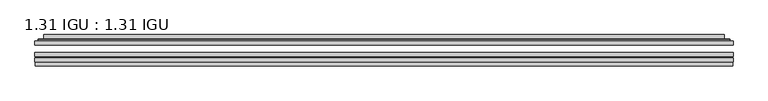
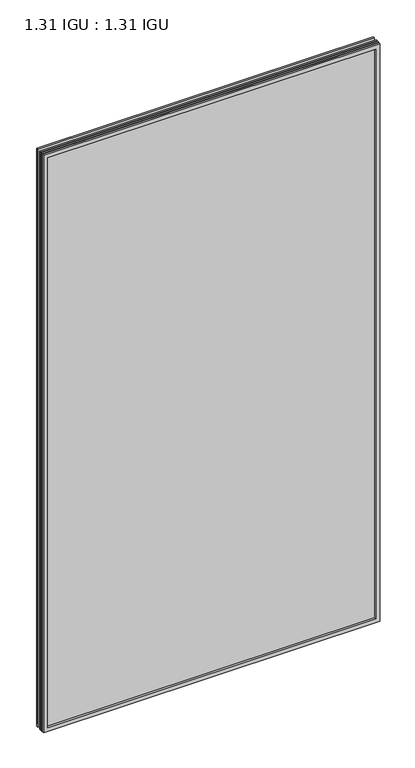
"""IFC4 building model written with IfcOpenShell, lengths in millimetres: plate geometry, 1.31 IGU : 1.31 IGU."""

from ifc_helpers import new_model, si_unit, frame, origin, place, context, project, spatial, polyline, ellipse_curve, outline, extrude, faceted_brep, source, transform, mapped, element, save
from ifc_brep_helpers import plane_surface, cylinder_surface, advanced_brep


def plate_1_31_igu_1_31_igu_b0fc8090(model_context):
    return source(origin(), model_context, "Body", "SolidModel", [
        extrude(outline(polyline([(554.05485, -63.59525), (554.05485, -69.94525), (-554.040675, -69.94525), (-554.040675, -63.59525), (554.05485, -63.59525)])), frame((0.0, 0.0, -14.2875), z_axis=(0.0, 0.0, 1.0), x_axis=(1.0, 0.0, 0.0)), (0.0, 0.0, 1.0), 2009.8015278),
        extrude(outline(polyline([(-554.040675, -78.58125), (-554.040675, -72.230745), (554.05485, -72.230745), (554.05485, -78.58125), (-554.040675, -78.58125)])), frame((0.0, 0.0, -14.2875), z_axis=(0.0, 0.0, 1.0), x_axis=(1.0, 0.0, 0.0)), (0.0, 0.0, 1.0), 2009.8015278),
        extrude(outline(polyline([(554.05485, -45.25645), (554.05485, -51.60645), (-554.040675, -51.60645), (-554.040675, -45.25645), (554.05485, -45.25645)])), frame((0.0, 0.0, -14.2875), z_axis=(0.0, 0.0, 1.0), x_axis=(1.0, 0.0, 0.0)), (0.0, 0.0, 1.0), 2009.8015278),
        faceted_brep([(-553.3404892, -84.93125, 1994.8100441), (-553.3404892, -78.58125, 1994.8100441), (-553.3404892, -78.58125, -13.5873142), (-553.3404892, -84.93125, -13.5873142), (553.3404892, -78.58125, -13.5873142), (553.3404892, -84.93125, -13.5873142), (553.3404892, -78.58125, 1994.8100441), (553.3404892, -84.93125, 1994.8100441), (-538.8554309, -78.58125, 0.8977441), (538.8554309, -78.58125, 0.8977441), (538.8554309, -78.58125, 1980.3249858), (-538.8554309, -78.58125, 1980.3249858), (-539.7478652, -84.93125, 1981.2174201), (539.7478652, -84.93125, 1981.2174201), (539.7478652, -84.93125, 0.0053098), (-539.7478652, -84.93125, 0.0053098)], [[[0, 1, 2, 3]], [[3, 2, 4, 5]], [[5, 4, 6, 7]], [[1, 6, 4, 2], [8, 9, 10, 11]], [[7, 6, 1, 0]], [[3, 5, 7, 0], [12, 13, 14, 15]], [[11, 12, 15, 8]], [[8, 15, 14, 9]], [[9, 14, 13, 10]], [[10, 13, 12, 11]]]),
        advanced_brep(
        [(-546.799394, -45.25645, 1988.2689489), (-549.1535994, -43.2667833, 1990.6231543), (-549.1535994, -43.2667833, -9.4004244), (-546.799394, -45.25645, -7.046219), (-537.7250689, -41.416413, 1979.1946238), (-532.7902371, -45.25645, 1974.2597919), (-532.7902371, -45.25645, 6.9629379), (-537.7250689, -41.416413, 2.0281061), (-538.7570967, -36.0191819, 1980.2266515), (-538.7570967, -36.0191819, 0.9960783), (-539.7477534, -35.6202069, 1981.2173083), (-539.7477534, -35.6202069, 0.0054216), (-539.7477534, -42.08145, 1981.2173083), (-539.7477534, -42.08145, 0.0054216), (-548.1518099, -42.08145, 1989.6213648), (-548.1518099, -42.08145, -8.3986349), (549.1535994, -43.2667833, -9.4004244), (546.799394, -45.25645, -7.046219), (532.7902371, -45.25645, 6.9629379), (537.7250689, -41.416413, 2.0281061), (538.7570967, -36.0191819, 0.9960783), (539.7477534, -35.6202069, 0.0054216), (539.7477534, -42.08145, 0.0054216), (548.1518099, -42.08145, -8.3986349), (549.1535994, -43.2667833, 1990.6231543), (546.799394, -45.25645, 1988.2689489), (532.7902371, -45.25645, 1974.2597919), (537.7250689, -41.416413, 1979.1946238), (538.7570967, -36.0191819, 1980.2266515), (539.7477534, -35.6202069, 1981.2173083), (539.7477534, -42.08145, 1981.2173083), (548.1518099, -42.08145, 1989.6213648)],
        [
            (0, 1, ellipse_curve(frame((-546.799394, -42.86885, 1988.2689489), z_axis=(-0.7071067811865475, 0.0, -0.7071067811865475), x_axis=(-0.7071067811865474, 0.0, 0.7071067811865476)), 3.3765763, 2.3876)),
            (1, 2),
            (2, 3, ellipse_curve(frame((-546.799394, -42.86885, -7.046219), z_axis=(-0.7071067811865475, 0.0, 0.7071067811865475), x_axis=(0.7071067811865474, 0.0, 0.7071067811865476)), 3.3765763, 2.3876)),
            (3, 0),
            (4, 5),
            (5, 6),
            (6, 7),
            (7, 4),
            (8, 4),
            (7, 9),
            (9, 8),
            (10, 8, ellipse_curve(frame((-539.3807969, -36.1384423, 1980.8503517), z_axis=(-0.7071067811865475, 0.0, -0.7071067811865475), x_axis=(-0.7071067811865474, 0.0, 0.7071067811865476)), 0.8980256, 0.635)),
            (9, 11, ellipse_curve(frame((-539.3807969, -36.1384423, 0.3723781), z_axis=(-0.7071067811865475, 0.0, 0.7071067811865475), x_axis=(0.7071067811865474, 0.0, 0.7071067811865476)), 0.8980256, 0.635)),
            (11, 10),
            (12, 10),
            (11, 13),
            (13, 12),
            (1, 14, ellipse_curve(frame((-548.1518099, -43.09745, 1989.6213648), z_axis=(-0.7071067811865475, 0.0, -0.7071067811865475), x_axis=(-0.7071067811865474, 0.0, 0.7071067811865476)), 1.436841, 1.016)),
            (14, 15),
            (15, 2, ellipse_curve(frame((-548.1518099, -43.09745, -8.3986349), z_axis=(-0.7071067811865475, 0.0, 0.7071067811865475), x_axis=(0.7071067811865474, 0.0, 0.7071067811865476)), 1.436841, 1.016)),
            (2, 16),
            (16, 17, ellipse_curve(frame((546.799394, -42.86885, -7.046219), z_axis=(-0.7071067811865475, 0.0, -0.7071067811865475), x_axis=(-0.7071067811865476, 0.0, 0.7071067811865474)), 3.3765763, 2.3876)),
            (17, 3),
            (6, 18),
            (18, 19),
            (19, 7),
            (19, 20),
            (20, 9),
            (20, 21, ellipse_curve(frame((539.3807969, -36.1384423, 0.3723781), z_axis=(-0.7071067811865475, 0.0, -0.7071067811865475), x_axis=(-0.7071067811865476, 0.0, 0.7071067811865474)), 0.8980256, 0.635)),
            (21, 11),
            (21, 22),
            (22, 13),
            (15, 23),
            (23, 16, ellipse_curve(frame((548.1518099, -43.09745, -8.3986349), z_axis=(-0.7071067811865475, 0.0, -0.7071067811865475), x_axis=(-0.7071067811865476, 0.0, 0.7071067811865474)), 1.436841, 1.016)),
            (16, 24),
            (24, 25, ellipse_curve(frame((546.799394, -42.86885, 1988.2689489), z_axis=(0.7071067811865475, 0.0, -0.7071067811865475), x_axis=(-0.7071067811865474, 0.0, -0.7071067811865476)), 3.3765763, 2.3876)),
            (25, 17),
            (18, 26),
            (26, 27),
            (27, 19),
            (27, 28),
            (28, 20),
            (28, 29, ellipse_curve(frame((539.3807969, -36.1384423, 1980.8503517), z_axis=(0.7071067811865475, 0.0, -0.7071067811865475), x_axis=(-0.7071067811865474, 0.0, -0.7071067811865476)), 0.8980256, 0.635)),
            (29, 21),
            (29, 30),
            (30, 22),
            (23, 31),
            (31, 24, ellipse_curve(frame((548.1518099, -43.09745, 1989.6213648), z_axis=(0.7071067811865475, 0.0, -0.7071067811865475), x_axis=(-0.7071067811865474, 0.0, -0.7071067811865476)), 1.436841, 1.016)),
            (24, 1),
            (0, 25),
            (5, 26),
            (4, 27),
            (8, 28),
            (10, 29),
            (12, 30),
            (14, 31),
        ],
        [
            cylinder_surface(frame((-546.799394, -42.86885, 2012.9727299), z_axis=(0.0, 0.0, 1.0), x_axis=(-1.0, 0.0, 0.0)), 2.3876),
            plane_surface(frame((-532.7902371, -45.25645, 1974.2597919), z_axis=(0.6141233906514794, 0.7892100234124821, 0.0), x_axis=(0.0, 0.0, -1.0))),
            plane_surface(frame((-537.7250689, -41.416413, 1979.1946238), z_axis=(0.9822050625507729, 0.18781164793386076, 0.0), x_axis=(0.0, 0.0, -1.0))),
            cylinder_surface(frame((-539.3807969, -36.1384423, 2012.9727299), z_axis=(0.0, 0.0, 1.0), x_axis=(-1.0, 0.0, 0.0)), 0.635),
            plane_surface(frame((-539.7477534, -35.6202069, 1981.2173083), z_axis=(-1.0, 0.0, 0.0), x_axis=(0.0, 0.0, -1.0))),
            cylinder_surface(frame((-548.1518099, -43.09745, 2012.9727299), z_axis=(0.0, 0.0, 1.0), x_axis=(-1.0, 0.0, 0.0)), 1.016),
            cylinder_surface(frame((-571.503175, -42.86885, -7.046219), z_axis=(-1.0, 0.0, 0.0), x_axis=(0.0, 0.0, -1.0)), 2.3876),
            plane_surface(frame((-532.7902371, -45.25645, 6.9629379), z_axis=(0.0, 0.7892100234124841, 0.6141233906514768), x_axis=(1.0, 0.0, 0.0))),
            plane_surface(frame((-537.7250689, -41.416413, 2.0281061), z_axis=(0.0, 0.18781164793386393, 0.9822050625507723), x_axis=(1.0, 0.0, 0.0))),
            cylinder_surface(frame((-571.503175, -36.1384423, 0.3723781), z_axis=(-1.0, 0.0, 0.0), x_axis=(0.0, 0.0, -1.0)), 0.635),
            plane_surface(frame((-539.7477534, -35.6202069, 0.0054216), z_axis=(0.0, 0.0, -1.0), x_axis=(1.0, 0.0, 0.0))),
            cylinder_surface(frame((-571.503175, -43.09745, -8.3986349), z_axis=(-1.0, 0.0, 0.0), x_axis=(0.0, 0.0, -1.0)), 1.016),
            cylinder_surface(frame((546.799394, -42.86885, -31.75), z_axis=(0.0, 0.0, -1.0), x_axis=(1.0, 0.0, 0.0)), 2.3876),
            plane_surface(frame((532.7902371, -45.25645, 6.9629379), z_axis=(-0.6141233906514743, 0.7892100234124861, 0.0), x_axis=(0.0, 0.0, 1.0))),
            plane_surface(frame((537.7250689, -41.416413, 2.0281061), z_axis=(-0.9822050625507718, 0.1878116479338671, 0.0), x_axis=(0.0, 0.0, 1.0))),
            cylinder_surface(frame((539.3807969, -36.1384423, -31.75), z_axis=(0.0, 0.0, -1.0), x_axis=(1.0, 0.0, 0.0)), 0.635),
            plane_surface(frame((539.7477534, -35.6202069, 0.0054216), z_axis=(1.0, 0.0, 0.0), x_axis=(0.0, 0.0, 1.0))),
            cylinder_surface(frame((548.1518099, -43.09745, -31.75), z_axis=(0.0, 0.0, -1.0), x_axis=(1.0, 0.0, 0.0)), 1.016),
            cylinder_surface(frame((571.503175, -42.86885, 1988.2689489), z_axis=(1.0, 0.0, 0.0), x_axis=(0.0, 0.0, 1.0)), 2.3876),
            plane_surface(frame((546.799394, -45.25645, 1988.2689489), z_axis=(0.0, -1.0, 0.0), x_axis=(-1.0, 0.0, 0.0))),
            plane_surface(frame((532.7902371, -45.25645, 1974.2597919), z_axis=(0.0, 0.7892100234124841, -0.6141233906514768), x_axis=(-1.0, 0.0, 0.0))),
            plane_surface(frame((537.7250689, -41.416413, 1979.1946238), z_axis=(0.0, 0.18781164793386393, -0.9822050625507723), x_axis=(-1.0, 0.0, 0.0))),
            cylinder_surface(frame((571.503175, -36.1384423, 1980.8503517), z_axis=(1.0, 0.0, 0.0), x_axis=(0.0, 0.0, 1.0)), 0.635),
            plane_surface(frame((539.7477534, -35.6202069, 1981.2173083), z_axis=(0.0, 0.0, 1.0), x_axis=(-1.0, 0.0, 0.0))),
            plane_surface(frame((539.7477534, -42.08145, 1981.2173083), z_axis=(0.0, 1.0, 0.0), x_axis=(-1.0, 0.0, 0.0))),
            cylinder_surface(frame((571.503175, -43.09745, 1989.6213648), z_axis=(1.0, 0.0, 0.0), x_axis=(0.0, 0.0, 1.0)), 1.016),
        ],
        [
            (0, [[1, 2, 3, 4]]),
            (1, [[5, 6, 7, 8]]),
            (2, [[9, -8, 10, 11]]),
            (3, [[12, -11, 13, 14]]),
            (4, [[15, -14, 16, 17]]),
            (5, [[18, 19, 20, -2]]),
            (6, [[-3, 21, 22, 23]]),
            (7, [[-7, 24, 25, 26]]),
            (8, [[-10, -26, 27, 28]]),
            (9, [[-13, -28, 29, 30]]),
            (10, [[-16, -30, 31, 32]]),
            (11, [[-20, 33, 34, -21]]),
            (12, [[-22, 35, 36, 37]]),
            (13, [[-25, 38, 39, 40]]),
            (14, [[-27, -40, 41, 42]]),
            (15, [[-29, -42, 43, 44]]),
            (16, [[-31, -44, 45, 46]]),
            (17, [[-34, 47, 48, -35]]),
            (18, [[-36, 49, -1, 50]]),
            (19, [[-23, -37, -50, -4], [51, -38, -24, -6]]),
            (20, [[-39, -51, -5, 52]]),
            (21, [[-41, -52, -9, 53]]),
            (22, [[-43, -53, -12, 54]]),
            (23, [[-45, -54, -15, 55]]),
            (24, [[56, -47, -33, -19], [-32, -46, -55, -17]]),
            (25, [[-48, -56, -18, -49]]),
        ],
    ),
    ])


if __name__ == "__main__":
    model = new_model("IFC4")
    model_context = context("Model", 3, world=origin())
    ifc_project = project(units=[si_unit("LENGTHUNIT", "METRE", prefix="MILLI")], contexts=[model_context])
    site = spatial("IfcSite", under=ifc_project)
    building = spatial("IfcBuilding", under=site)
    placement = place(None, origin())
    plate_1_31_igu_1_31_igu_shape = plate_1_31_igu_1_31_igu_b0fc8090(model_context)
    element("IfcPlate", 1, ObjectType="1.31 IGU : 1.31 IGU", at=placement, inside=building, context=model_context, shape_type="MappedRepresentation", body=[
        mapped(plate_1_31_igu_1_31_igu_shape, transform((0.0, 0.0, 0.0), x_axis=(1.0, 0.0, 0.0), y_axis=(0.0, 1.0, 0.0), z_axis=(0.0, 0.0, 1.0))),
    ])
    save(model, "model.ifc")
